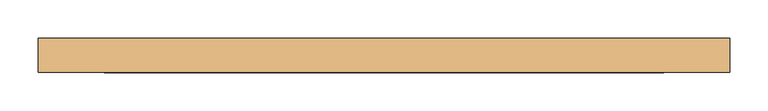
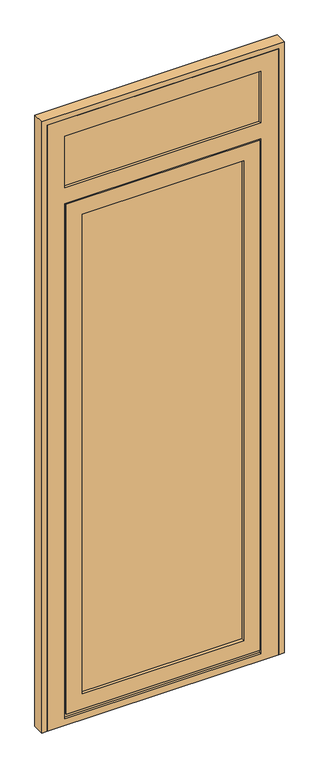
"""IFC4 building model written with IfcOpenShell, lengths in millimetres: door geometry."""

from ifc_helpers import new_model, si_unit, frame, origin, place, context, project, spatial, polyline, outline, extrude, faceted_brep, source, transform, mapped, element, save


def door_8be161d9(model_context):
    return source(origin(), model_context, "Body", "SolidModel", [
        extrude(outline(polyline([(-193.0, 68.0), (-193.0, 91.0), (443.0, 91.0), (443.0, 68.0), (-193.0, 68.0)])), frame((0.0, 0.0, 83.0), z_axis=(0.0, 0.0, 1.0), x_axis=(1.0, 0.0, 0.0)), (0.0, 0.0, 1.0), 1920.0),
        extrude(outline(polyline([(-257.0, 68.0), (-257.0, 91.0), (507.0, 91.0), (507.0, 68.0), (-257.0, 68.0)])), frame((0.0, 0.0, 2093.0), z_axis=(0.0, 0.0, 1.0), x_axis=(1.0, 0.0, 0.0)), (0.0, 0.0, 1.0), 239.0),
        faceted_brep([(509.0, 92.0, 17.0), (499.0, 92.0, 17.0), (499.0, 64.0, 17.0), (489.0, 64.0, 17.0), (489.0, 92.0, 17.0), (-239.0, 92.0, 17.0), (-239.0, 64.0, 17.0), (-249.0, 64.0, 17.0), (-249.0, 92.0, 17.0), (-259.0, 92.0, 17.0), (-259.0, 100.0, 17.0), (509.0, 100.0, 17.0), (509.0, 100.0, 2069.0), (509.0, 92.0, 2069.0), (-259.0, 100.0, 2069.0), (425.0, 100.0, 1985.0), (-175.0, 100.0, 1985.0), (-175.0, 100.0, 101.0), (425.0, 100.0, 101.0), (425.0, 91.0, 101.0), (425.0, 91.0, 1985.0), (-193.0, 91.0, 2003.0), (-193.0, 91.0, 83.0), (443.0, 91.0, 83.0), (443.0, 91.0, 2003.0), (-175.0, 91.0, 101.0), (-175.0, 91.0, 1985.0), (443.0, 68.0, 83.0), (443.0, 68.0, 2003.0), (-193.0, 68.0, 83.0), (-193.0, 68.0, 2003.0), (425.0, 68.0, 1985.0), (-175.0, 68.0, 1985.0), (-175.0, 68.0, 101.0), (425.0, 68.0, 101.0), (425.0, 56.0, 101.0), (425.0, 56.0, 1985.0), (-234.0, 56.0, 2044.0), (-234.0, 56.0, 42.0), (484.0, 56.0, 42.0), (484.0, 56.0, 2044.0), (-175.0, 56.0, 101.0), (-175.0, 56.0, 1985.0), (484.0, 64.0, 42.0), (484.0, 64.0, 2044.0), (-239.0, 64.0, 27.0), (489.0, 64.0, 27.0), (499.0, 64.0, 2059.0), (-249.0, 64.0, 2059.0), (-234.0, 64.0, 42.0), (-234.0, 64.0, 2044.0), (499.0, 92.0, 2059.0), (-259.0, 92.0, 2069.0), (-249.0, 92.0, 2059.0), (-239.0, 92.0, 27.0), (489.0, 92.0, 27.0)], [[[0, 1, 2, 3, 4, 5, 6, 7, 8, 9, 10, 11]], [[11, 12, 13, 0]], [[10, 14, 12, 11], [15, 16, 17, 18]], [[15, 18, 19, 20]], [[21, 22, 23, 24], [20, 19, 25, 26]], [[23, 27, 28, 24]], [[28, 27, 29, 30], [31, 32, 33, 34]], [[31, 34, 35, 36]], [[37, 38, 39, 40], [36, 35, 41, 42]], [[39, 43, 44, 40]], [[45, 46, 3, 2, 47, 48, 7, 6], [44, 43, 49, 50]], [[1, 51, 47, 2]], [[0, 13, 52, 9, 8, 53, 51, 1]], [[12, 14, 52, 13]], [[15, 20, 26, 16]], [[24, 28, 30, 21]], [[31, 36, 42, 32]], [[40, 44, 50, 37]], [[47, 51, 53, 48]], [[10, 9, 52, 14]], [[26, 25, 17, 16]], [[29, 22, 21, 30]], [[42, 41, 33, 32]], [[49, 38, 37, 50]], [[48, 53, 8, 7]], [[19, 18, 17, 25]], [[22, 29, 27, 23]], [[35, 34, 33, 41]], [[45, 6, 5, 54]], [[55, 4, 3, 46]], [[54, 55, 46, 45]], [[43, 39, 38, 49]], [[4, 55, 54, 5]]]),
        faceted_brep([(-305.0, 56.0, 0.0), (-305.0, 100.0, 0.0), (555.0, 100.0, 0.0), (555.0, 56.0, 0.0), (-305.0, 100.0, 2380.0), (555.0, 100.0, 2380.0), (514.0, 100.0, 8.0), (514.0, 100.0, 2074.0), (-264.0, 100.0, 2074.0), (-264.0, 100.0, 8.0), (-239.0, 100.0, 2314.0), (-239.0, 100.0, 2111.0), (489.0, 100.0, 2111.0), (489.0, 100.0, 2314.0), (514.0, 92.0, 8.0), (514.0, 92.0, 2074.0), (-264.0, 92.0, 8.0), (-264.0, 92.0, 2074.0), (499.0, 92.0, 2059.0), (-249.0, 92.0, 2059.0), (-249.0, 92.0, 27.0), (499.0, 92.0, 27.0), (499.0, 64.0, 27.0), (499.0, 64.0, 2059.0), (489.0, 64.0, 27.0), (489.0, 64.0, 2049.0), (-239.0, 64.0, 2049.0), (-239.0, 64.0, 27.0), (-249.0, 64.0, 27.0), (-249.0, 64.0, 2059.0), (489.0, 56.0, 27.0), (489.0, 56.0, 2049.0), (-305.0, 56.0, 2380.0), (555.0, 56.0, 2380.0), (-239.0, 56.0, 27.0), (-239.0, 56.0, 2049.0), (489.0, 56.0, 2314.0), (489.0, 56.0, 2111.0), (-239.0, 56.0, 2111.0), (-239.0, 56.0, 2314.0), (489.0, 68.0, 2111.0), (-239.0, 68.0, 2111.0), (507.0, 68.0, 2332.0), (507.0, 68.0, 2093.0), (-257.0, 68.0, 2093.0), (-257.0, 68.0, 2332.0), (-239.0, 68.0, 2314.0), (489.0, 68.0, 2314.0), (507.0, 91.0, 2093.0), (-257.0, 91.0, 2093.0), (-257.0, 91.0, 2332.0), (507.0, 91.0, 2332.0), (489.0, 91.0, 2314.0), (489.0, 91.0, 2111.0), (-239.0, 91.0, 2111.0), (-239.0, 91.0, 2314.0)], [[[0, 1, 2, 3]], [[2, 1, 4, 5], [6, 7, 8, 9], [10, 11, 12, 13]], [[14, 15, 7, 6]], [[14, 16, 17, 15], [18, 19, 20, 21]], [[22, 23, 18, 21]], [[24, 25, 26, 27, 28, 29, 23, 22]], [[30, 31, 25, 24]], [[32, 0, 3, 33], [31, 30, 34, 35], [36, 37, 38, 39]], [[2, 5, 33, 3]], [[1, 0, 32, 4]], [[6, 9, 16, 14]], [[21, 20, 28, 27, 34, 30, 24, 22]], [[29, 19, 18, 23]], [[31, 35, 26, 25]], [[37, 40, 41, 38]], [[42, 43, 44, 45], [46, 41, 40, 47]], [[48, 49, 44, 43]], [[50, 49, 48, 51], [52, 53, 54, 55]], [[11, 54, 53, 12]], [[17, 8, 7, 15]], [[13, 12, 53, 52]], [[51, 48, 43, 42]], [[47, 40, 37, 36]], [[5, 4, 32, 33]], [[13, 52, 55, 10]], [[51, 42, 45, 50]], [[47, 36, 39, 46]], [[55, 54, 11, 10]], [[45, 44, 49, 50]], [[39, 38, 41, 46]], [[16, 9, 8, 17]], [[19, 29, 28, 20]], [[34, 27, 26, 35]]]),
        extrude(outline(polyline([(2400.0, -325.0), (0.0, -325.0), (0.0, -305.0), (2380.0, -305.0), (2380.0, 555.0), (0.0, 555.0), (0.0, 575.0), (2400.0, 575.0), (2400.0, -325.0)])), frame((0.0, 56.0, 0.0), z_axis=(0.0, 1.0, 0.0), x_axis=(0.0, 0.0, 1.0)), (0.0, 0.0, 1.0), 44.0),
    ])


if __name__ == "__main__":
    model = new_model("IFC4")
    model_context = context("Model", 3, world=origin())
    ifc_project = project(units=[si_unit("LENGTHUNIT", "METRE", prefix="MILLI")], contexts=[model_context])
    site = spatial("IfcSite", under=ifc_project)
    building = spatial("IfcBuilding", under=site)
    placement = place(None, origin())
    door_shape = door_8be161d9(model_context)
    element("IfcDoor", 1, at=placement, inside=building, context=model_context, shape_type="MappedRepresentation", body=[
        mapped(door_shape, transform((0.0, 0.0, 0.0), x_axis=(1.0, 0.0, 0.0), y_axis=(0.0, 1.0, 0.0), z_axis=(0.0, 0.0, 1.0))),
    ])
    save(model, "model.ifc")
